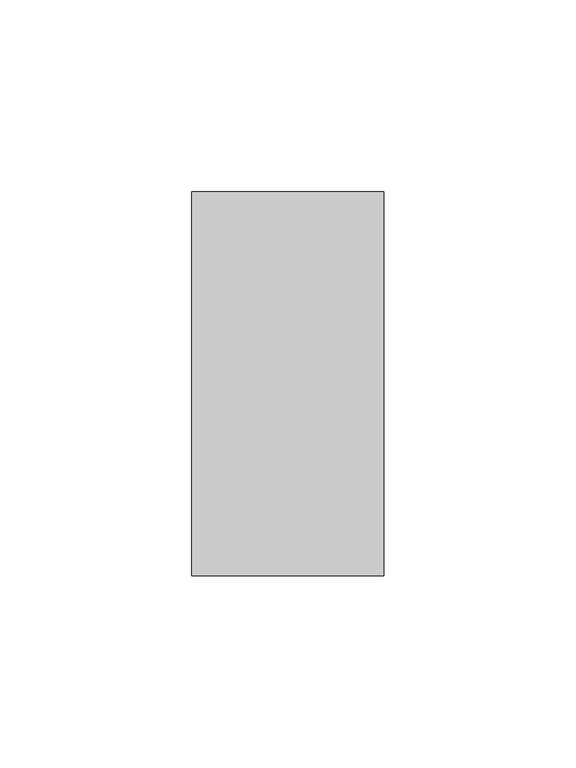
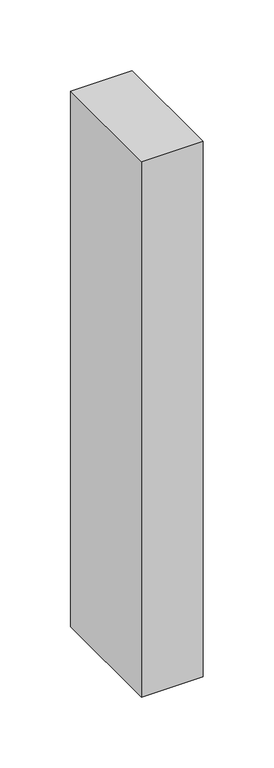
"""IFC4 building model written with IfcOpenShell, lengths in millimetres: member geometry."""

from ifc_helpers import new_model, si_unit, frame, origin, place, context, project, spatial, polyline, outline, extrude, source, transform, mapped, element, save


def member_083cbc8d(model_context):
    return source(origin(), model_context, "Body", "SweptSolid", [
        extrude(outline(polyline([(0.0, 50.0), (0.0, -50.0), (-50.0, -50.0), (-50.0, 50.0), (0.0, 50.0)])), frame((0.0, 0.0, -461.0), z_axis=(0.0, 0.0, 1.0), x_axis=(1.0, 0.0, 0.0)), (0.0, 0.0, 1.0), 461.0),
    ])


if __name__ == "__main__":
    model = new_model("IFC4")
    model_context = context("Model", 3, world=origin())
    ifc_project = project(units=[si_unit("LENGTHUNIT", "METRE", prefix="MILLI")], contexts=[model_context])
    site = spatial("IfcSite", under=ifc_project)
    building = spatial("IfcBuilding", under=site)
    placement = place(None, origin())
    member_shape = member_083cbc8d(model_context)
    element("IfcMember", 1, at=placement, inside=building, context=model_context, shape_type="MappedRepresentation", body=[
        mapped(member_shape, transform((0.0, 0.0, 0.0), x_axis=(1.0, 0.0, 0.0), y_axis=(0.0, 1.0, 0.0), z_axis=(0.0, 0.0, 1.0))),
    ])
    save(model, "model.ifc")
